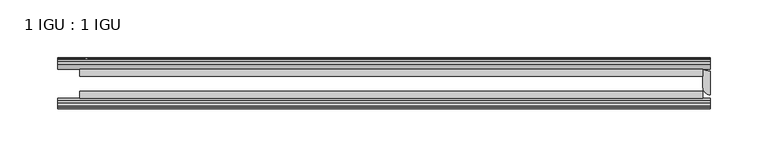
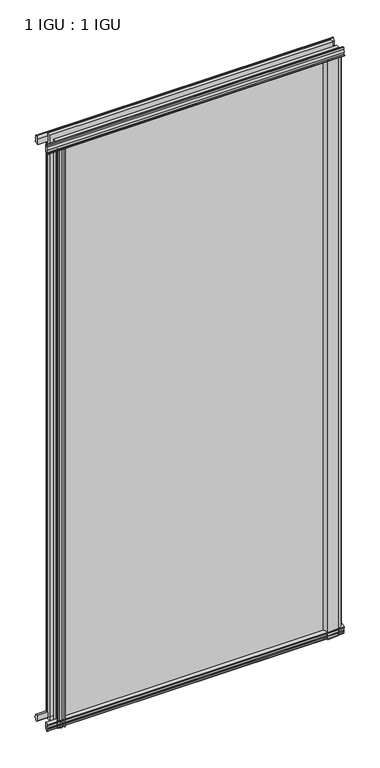
"""IFC4 building model written with IfcOpenShell, lengths in millimetres: plate geometry, 1 IGU : 1 IGU."""

from ifc_helpers import new_model, si_unit, point, frame, frame_2d, origin, place, context, project, spatial, polyline, circle_curve, trimmed, segment, composite_curve, outline, extrude, source, transform, mapped, element, save


def plate_1_igu_1_igu_2196a75c(model_context):
    return source(origin(), model_context, "Body", "SweptSolid", [
        extrude(outline(composite_curve([segment(polyline([(-48.2151697, 1167.5411625), (-46.2339867, 1167.5411625), (-46.2339867, 1152.9057064), (-54.465925, 1154.0393419)]), True, "CONTINUOUS"), segment(trimmed(circle_curve(frame_2d((-54.3619697, 1154.7942176)), 0.762), [point((-54.465925, 1154.0393419))], [point((-55.1239697, 1154.7942176))], False, "CARTESIAN"), True, "CONTINUOUS"), segment(polyline([(-55.1239697, 1154.7942176), (-55.1239697, 1155.6539625), (-52.5839697, 1155.6539625), (-52.5839697, 1160.6069625), (-53.9897781, 1160.9836477), (-52.5839697, 1166.2301961), (-52.5839697, 1169.8779625), (-50.5519697, 1169.8779625)]), True, "CONTINUOUS"), segment(trimmed(circle_curve(frame_2d((-48.2151697, 1169.8779625)), 2.3368), [point((-50.5519697, 1169.8779625))], [point((-48.2151697, 1167.5411625))], True, "CARTESIAN"), True, "CONTINUOUS")], self_intersect=False)), frame((-282.5754022, 0.0, 0.0), z_axis=(1.0, 0.0, 0.0), x_axis=(0.0, 1.0, 0.0)), (0.0, 0.0, 1.0), 565.1508044),
        extrude(outline(composite_curve([segment(polyline([(-20.8339867, 1163.6867737), (-16.6539631, 1167.8667973)]), True, "CONTINUOUS"), segment(trimmed(circle_curve(frame_2d((-15.7559375, 1166.9687717)), 1.27), [point((-16.6539631, 1167.8667973))], [point((-14.4859375, 1166.9687717))], False, "CARTESIAN"), True, "CONTINUOUS"), segment(polyline([(-14.4859375, 1166.9687717), (-14.4859375, 1163.7937717), (-13.0066415, 1161.2098114), (-14.4859375, 1160.9489717), (-14.4859375, 1155.5387717), (-13.1830575, 1155.7226181)]), True, "CONTINUOUS"), segment(trimmed(circle_curve(frame_2d((-13.9271036, 1155.0307717)), 1.016), [point((-13.1830575, 1155.7226181))], [point((-13.7521472, 1154.0299489))], False, "CARTESIAN"), True, "CONTINUOUS"), segment(polyline([(-13.7521472, 1154.0299489), (-20.8339867, 1152.6630095), (-20.8339867, 1163.6867737)]), True, "CONTINUOUS")], self_intersect=False)), frame((-282.5754022, 0.0, 0.0), z_axis=(1.0, 0.0, 0.0), x_axis=(0.0, 1.0, 0.0)), (0.0, 0.0, 1.0), 565.1508044),
        extrude(outline(polyline([(-20.8359545, 1.2049602), (-14.4859375, -0.5127625), (-14.4859375, -5.7197625), (-12.1057405, -6.1007625), (-12.5656738, -4.6852334), (-11.7644596, -4.6852334), (-11.0569375, -6.8627625), (-11.7644596, -9.0402916), (-12.5656738, -9.0402916), (-12.1057405, -7.6247625), (-14.4859375, -8.0057625), (-14.4859375, -12.4507625), (-17.4323375, -12.4507625), (-20.8359545, -9.6164062), (-20.8359545, 1.2049602)])), frame((-282.5754022, 0.0, 0.0), z_axis=(1.0, 0.0, 0.0), x_axis=(0.0, 1.0, 0.0)), (0.0, 0.0, 1.0), 565.1508044),
        extrude(outline(composite_curve([segment(polyline([(-53.3197108, 1.6405709), (-46.2359545, 3.0078803), (-46.2359545, -8.014337), (-50.4178949, -12.1962775)]), True, "CONTINUOUS"), segment(trimmed(circle_curve(frame_2d((-51.3159205, -11.2982519)), 1.27), [point((-50.4178949, -12.1962775))], [point((-52.5859205, -11.2982519))], False, "CARTESIAN"), True, "CONTINUOUS"), segment(polyline([(-52.5859205, -11.2982519), (-52.5859205, -8.1232519), (-54.0652165, -5.5392917), (-52.5859205, -5.2784519), (-52.5859205, 0.1317481), (-53.8888005, -0.0520983)]), True, "CONTINUOUS"), segment(trimmed(circle_curve(frame_2d((-53.1447545, 0.6397481)), 1.016), [point((-53.8888005, -0.0520983))], [point((-53.3197108, 1.6405709))], False, "CARTESIAN"), True, "CONTINUOUS")], self_intersect=False)), frame((-282.5754022, 0.0, 0.0), z_axis=(1.0, 0.0, 0.0), x_axis=(0.0, 1.0, 0.0)), (0.0, 0.0, 1.0), 565.1508044),
        extrude(outline(polyline([(-258.4748825, -12.1057405), (-259.8904115, -12.5656738), (-259.8904115, -11.7644596), (-257.7128825, -11.0569375), (-255.5353534, -11.7644596), (-255.5353534, -12.5656738), (-256.9508825, -12.1057405), (-256.5698825, -14.4859375), (-251.3628825, -14.4859375), (-249.6451644, -20.8359375), (-260.4665403, -20.8359375), (-263.3008825, -17.4323375), (-263.3008825, -14.4859375), (-258.8558825, -14.4859375), (-258.4748825, -12.1057405)])), frame((0.0, 0.0, -12.6752823), z_axis=(0.0, 0.0, 1.0), x_axis=(1.0, 0.0, 0.0)), (0.0, 0.0, 1.0), 1168.3498823),
        extrude(outline(composite_curve([segment(polyline([(-258.86444, -46.2359375), (-247.8422364, -46.2359375), (-249.2095491, -53.3197108)]), True, "CONTINUOUS"), segment(trimmed(circle_curve(frame_2d((-250.2103719, -53.1447545)), 1.016), [point((-249.2095491, -53.3197108))], [point((-250.9022183, -53.8888005))], False, "CARTESIAN"), True, "CONTINUOUS"), segment(polyline([(-250.9022183, -53.8888005), (-250.7183719, -52.5859205), (-256.1285719, -52.5859205), (-256.3894117, -54.0652165), (-258.9733719, -52.5859205), (-262.1483719, -52.5859205)]), True, "CONTINUOUS"), segment(trimmed(circle_curve(frame_2d((-262.1483719, -51.3159205)), 1.27), [point((-262.1483719, -52.5859205))], [point((-263.0463975, -50.4178949))], False, "CARTESIAN"), True, "CONTINUOUS"), segment(polyline([(-263.0463975, -50.4178949), (-258.86444, -46.2359375)]), True, "CONTINUOUS")], self_intersect=False)), frame((0.0, 0.0, -12.6752823), z_axis=(0.0, 0.0, 1.0), x_axis=(1.0, 0.0, 0.0)), (0.0, 0.0, 1.0), 1168.3498823),
        extrude(outline(composite_curve([segment(polyline([(282.5754022, -22.629276), (282.5754022, -43.0609375)]), True, "CONTINUOUS"), segment(trimmed(circle_curve(frame_2d((282.5754022, -36.7109375)), 6.35), [point((282.5754022, -43.0609375))], [point((276.2254022, -36.7109375))], False, "CARTESIAN"), True, "CONTINUOUS"), segment(polyline([(276.2254022, -36.7109375), (276.2254022, -20.8359375)]), True, "CONTINUOUS"), segment(trimmed(circle_curve(frame_2d((282.5754022, -10.4903061)), 12.1389698), [point((276.2254022, -20.8359375))], [point((282.5754022, -22.629276))], True, "CARTESIAN"), True, "CONTINUOUS")], self_intersect=False)), frame((0.0, 0.0, -12.6752823), z_axis=(0.0, 0.0, 1.0), x_axis=(1.0, 0.0, 0.0)), (0.0, 0.0, 1.0), 1168.3498823),
        extrude(outline(composite_curve([segment(polyline([(277.9672135, -50.6809375), (272.7114351, -52.904699), (250.8254022, -54.1607375)]), True, "CONTINUOUS"), segment(trimmed(circle_curve(frame_2d((235.8824314, -56.4589223)), 15.118665), [point((250.8254022, -54.1607375))], [point((247.0208609, -46.2359375))], True, "CARTESIAN"), True, "CONTINUOUS"), segment(polyline([(247.0208609, -46.2359375), (273.4648163, -46.2359375), (277.9672135, -48.1409375), (277.9672135, -50.6809375)]), True, "CONTINUOUS")], self_intersect=False)), frame((0.0, 0.0, -12.6752823), z_axis=(0.0, 0.0, 1.0), x_axis=(1.0, 0.0, 0.0)), (0.0, 0.0, 1.0), 1168.3498823),
        extrude(outline(polyline([(276.2254022, -20.8359375), (276.2254022, -27.1859375), (-263.5254022, -27.1859375), (-263.5254022, -20.8359375), (276.2254022, -20.8359375)])), frame((0.0, 0.0, -12.6752823), z_axis=(0.0, 0.0, 1.0), x_axis=(1.0, 0.0, 0.0)), (0.0, 0.0, 1.0), 1181.0251645),
        extrude(outline(polyline([(-263.5254022, -46.2359375), (-263.5254022, -39.8859375), (276.2254022, -39.8859375), (276.2254022, -46.2359375), (-263.5254022, -46.2359375)])), frame((0.0, 0.0, -12.6752823), z_axis=(0.0, 0.0, 1.0), x_axis=(1.0, 0.0, 0.0)), (0.0, 0.0, 1.0), 1181.0251645),
    ])


if __name__ == "__main__":
    model = new_model("IFC4")
    model_context = context("Model", 3, world=origin())
    ifc_project = project(units=[si_unit("LENGTHUNIT", "METRE", prefix="MILLI")], contexts=[model_context])
    site = spatial("IfcSite", under=ifc_project)
    building = spatial("IfcBuilding", under=site)
    placement = place(None, origin())
    plate_1_igu_1_igu_shape = plate_1_igu_1_igu_2196a75c(model_context)
    element("IfcPlate", 1, ObjectType="1 IGU : 1 IGU", at=placement, inside=building, context=model_context, shape_type="MappedRepresentation", body=[
        mapped(plate_1_igu_1_igu_shape, transform((0.0, 0.0, 0.0), x_axis=(1.0, 0.0, 0.0), y_axis=(0.0, 1.0, 0.0), z_axis=(0.0, 0.0, 1.0))),
    ])
    save(model, "model.ifc")
